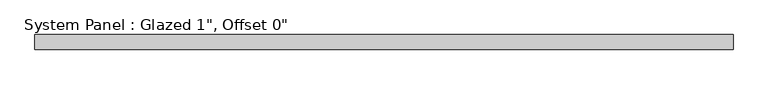
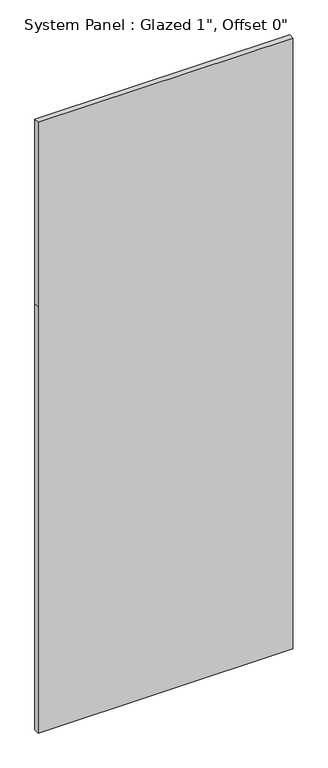
"""IFC4 building model written with IfcOpenShell, lengths in millimetres: plate geometry."""

import ifcopenshell
import ifcopenshell.guid

model = None  # the IFC model being written
_history = None  # IfcOwnerHistory: only IFC2X3 demands one
_inside = {}  # id of a spatial element -> (the spatial element, [elements in it])
_under = {}  # id of a project, library or spatial element -> (it, [spatial elements below it])
_declared = {}  # id of a project -> (the project, [libraries it declares])
_typed = {}  # id of a type object -> (the type object, [elements of that type])
_made_of = {}  # id of a material, layer set ... -> (it, [elements and type objects made of it])


def new_model(schema):
    """Start an empty IFC model of exactly this schema.

    Asked for "IFC4X3", IfcOpenShell would pick the latest addendum, in which some entities
    have other attributes; the version numbers below select the first issue.
    IFC2X3 requires an IfcOwnerHistory on every rooted entity: one is made here for all.
    """
    global model, _history
    if schema == "IFC4X3":
        model = ifcopenshell.file(schema_version=(4, 3, 0, 0))
    else:
        model = ifcopenshell.file(schema=schema)
    _inside.clear()
    _under.clear()
    _declared.clear()
    _typed.clear()
    _made_of.clear()
    _history = None
    if model.schema == "IFC2X3":
        org = make("IfcOrganization", Name="unknown")
        user = make(
            "IfcPersonAndOrganization",
            ThePerson=make("IfcPerson", FamilyName="unknown"),
            TheOrganization=org,
        )
        app = make(
            "IfcApplication",
            ApplicationDeveloper=org,
            Version="unknown",
            ApplicationFullName="unknown",
            ApplicationIdentifier="unknown",
        )
        _history = make(
            "IfcOwnerHistory",
            OwningUser=user,
            OwningApplication=app,
            ChangeAction="ADDED",
            CreationDate=0,
        )
    return model


def make(cls, **values):
    """One entity of the class cls with the attributes given. An attribute that is None is left unset."""
    return model.create_entity(
        cls, **{name: value for name, value in values.items() if value is not None}
    )


def rooted(cls, **values):
    """An entity with a GlobalId (a new one), such as an element, a storey or a relation."""
    return make(cls, GlobalId=ifcopenshell.guid.new(), OwnerHistory=_history, **values)


def si_unit(unit_type, name, prefix=None):
    """IfcSIUnit, for example si_unit("LENGTHUNIT", "METRE", prefix="MILLI")."""
    return make("IfcSIUnit", UnitType=unit_type, Prefix=prefix, Name=name)


def assignment(units):
    """IfcUnitAssignment: the units of a project."""
    return None if units is None else make("IfcUnitAssignment", Units=units)


def point(xyz):
    """IfcCartesianPoint."""
    return None if xyz is None else make("IfcCartesianPoint", Coordinates=xyz)


def direction(xyz):
    """IfcDirection."""
    return None if xyz is None else make("IfcDirection", DirectionRatios=xyz)


def frame(location, z_axis=None, x_axis=None):
    """IfcAxis2Placement3D, a coordinate frame: its origin and axes. An axis left out is left unset."""
    return make(
        "IfcAxis2Placement3D",
        Location=point(location),
        Axis=direction(z_axis),
        RefDirection=direction(x_axis),
    )


def origin():
    """The frame at (0, 0, 0) with its axes left unset."""
    return frame((0.0, 0.0, 0.0))


def place(relative_to, where):
    """IfcLocalPlacement: puts the frame where relative to a parent placement (None: the world)."""
    return make(
        "IfcLocalPlacement", PlacementRelTo=relative_to, RelativePlacement=where
    )


def context(
    kind, dimensions, precision=None, world=None, true_north=None, identifier=None
):
    """IfcGeometricRepresentationContext, for example the 3D "Model" context."""
    return make(
        "IfcGeometricRepresentationContext",
        ContextIdentifier=identifier,
        ContextType=kind,
        CoordinateSpaceDimension=dimensions,
        Precision=precision,
        WorldCoordinateSystem=world,
        TrueNorth=true_north,
    )


def project(units=None, contexts=None):
    """IfcProject with its units and contexts."""
    return rooted(
        "IfcProject",
        Name="project",
        RepresentationContexts=contexts,
        UnitsInContext=assignment(units),
    )


def spatial(cls, under=None, at=None, **own):
    """A site, building, storey or space (cls), placed at a placement, below another one or the project."""
    s = rooted(cls, ObjectPlacement=at, **own)
    if under is not None:
        _under.setdefault(under.id(), (under, []))[1].append(s)
    return s


def polyline(points):
    """IfcPolyline through the points."""
    return make("IfcPolyline", Points=[point(p) for p in points])


def outline(outer, holes=None, kind="AREA"):
    """IfcArbitraryClosedProfileDef: a profile drawn as a closed curve; with holes, ...WithVoids."""
    if holes is None:
        return make("IfcArbitraryClosedProfileDef", ProfileType=kind, OuterCurve=outer)
    return make(
        "IfcArbitraryProfileDefWithVoids",
        ProfileType=kind,
        OuterCurve=outer,
        InnerCurves=holes,
    )


def extrude(swept, where, along, depth):
    """IfcExtrudedAreaSolid: the profile swept, set in the frame where, extruded along a direction by depth."""
    return make(
        "IfcExtrudedAreaSolid",
        SweptArea=swept,
        Position=where,
        ExtrudedDirection=direction(along),
        Depth=depth,
    )


def shape(context_of_items, identifier, shape_type, items):
    """IfcShapeRepresentation: the items that make up one representation, for example the "Body"."""
    return make(
        "IfcShapeRepresentation",
        ContextOfItems=context_of_items,
        RepresentationIdentifier=identifier,
        RepresentationType=shape_type,
        Items=items,
    )


def source(mapping_origin, context_of_items, identifier, shape_type, items):
    """IfcRepresentationMap: a shape defined once, which mapped items show again and again."""
    return make(
        "IfcRepresentationMap",
        MappingOrigin=mapping_origin,
        MappedRepresentation=shape(context_of_items, identifier, shape_type, items),
    )


def transform(
    local_origin,
    x_axis=None,
    y_axis=None,
    z_axis=None,
    scale=None,
    scale2=None,
    scale3=None,
    uniform=True,
):
    """IfcCartesianTransformationOperator3D, or its non-uniform kind. x_axis, y_axis, z_axis: its Axis1, 2, 3."""
    if uniform:
        return make(
            "IfcCartesianTransformationOperator3D",
            Axis1=direction(x_axis),
            Axis2=direction(y_axis),
            LocalOrigin=point(local_origin),
            Scale=scale,
            Axis3=direction(z_axis),
        )
    return make(
        "IfcCartesianTransformationOperator3DnonUniform",
        Axis1=direction(x_axis),
        Axis2=direction(y_axis),
        LocalOrigin=point(local_origin),
        Scale=scale,
        Axis3=direction(z_axis),
        Scale2=scale2,
        Scale3=scale3,
    )


def mapped(mapping_source, mapping_target):
    """IfcMappedItem: shows the shape of a source again, moved by a transform."""
    return make(
        "IfcMappedItem", MappingSource=mapping_source, MappingTarget=mapping_target
    )


def made_of(thing, what):
    """Note that an element or type object is made of a material, layer set ...; save() writes the relation."""
    if what is not None:
        _made_of.setdefault(what.id(), (what, []))[1].append(thing)
    return thing


def element(
    cls,
    number,
    at=None,
    inside=None,
    cuts=None,
    type_object=None,
    material=None,
    context=None,
    identifier="Body",
    shape_type=None,
    held_by="IfcProductDefinitionShape",
    body=None,
    shapes=None,
    **own,
):
    """One element of the class cls, such as IfcWall. Its Tag is "e" and its number.

    at: its placement. inside: the storey or other place that contains it. cuts: it is an
    opening in that element (IfcRelVoidsElement). A single representation is given by context,
    identifier, shape_type and body (its items); several are given by shapes. held_by: the class
    of the entity that holds the representations. save() writes the other relations.
    """
    e = rooted(cls, Tag="e%d" % number, ObjectPlacement=at, **own)
    if body is not None:
        shapes = [shape(context, identifier, shape_type, body)]
    if shapes is not None:
        e.Representation = make(held_by, Representations=shapes)
    if inside is not None:
        _inside.setdefault(inside.id(), (inside, []))[1].append(e)
    if cuts is not None:
        rooted(
            "IfcRelVoidsElement", RelatingBuildingElement=cuts, RelatedOpeningElement=e
        )
    if type_object is not None:
        _typed.setdefault(type_object.id(), (type_object, []))[1].append(e)
    return made_of(e, material)


def aggregate(whole, parts):
    """IfcRelAggregates: a whole, such as a stair, and the parts it consists of."""
    return rooted("IfcRelAggregates", RelatingObject=whole, RelatedObjects=parts)


def save(model, path):
    """Write the relations noted so far, then the file.

    IfcRelAggregates (storeys below a building ...), IfcRelContainedInSpatialStructure (elements
    in a storey), IfcRelDefinesByType, IfcRelAssociatesMaterial and IfcRelDeclares: one each for
    every whole, place, type object, material and project.
    """
    for whole, parts in _under.values():
        aggregate(whole, parts)
    for where, things in _inside.values():
        rooted(
            "IfcRelContainedInSpatialStructure",
            RelatedElements=things,
            RelatingStructure=where,
        )
    for kind, things in _typed.values():
        rooted("IfcRelDefinesByType", RelatedObjects=things, RelatingType=kind)
    for what, things in _made_of.values():
        rooted("IfcRelAssociatesMaterial", RelatedObjects=things, RelatingMaterial=what)
    for by, libraries in _declared.values():
        rooted("IfcRelDeclares", RelatingContext=by, RelatedDefinitions=libraries)
    model.write(path)


def plate_001c4ff4(model_context):
    return source(origin(), model_context, "Body", "SweptSolid", [
        extrude(outline(polyline([(0.0, -588.9625), (0.0, 588.9625), (2082.8, 588.9625), (2984.5, 588.9625), (2984.5, -588.9625), (2082.8, -588.9625), (0.0, -588.9625)])), frame((0.0, -12.7, 0.0), z_axis=(0.0, 1.0, 0.0), x_axis=(0.0, 0.0, 1.0)), (0.0, 0.0, 1.0), 25.4),
    ])


if __name__ == "__main__":
    model = new_model("IFC4")
    model_context = context("Model", 3, world=origin())
    ifc_project = project(units=[si_unit("LENGTHUNIT", "METRE", prefix="MILLI")], contexts=[model_context])
    site = spatial("IfcSite", under=ifc_project)
    building = spatial("IfcBuilding", under=site)
    placement = place(None, origin())
    plate_shape = plate_001c4ff4(model_context)
    element("IfcPlate", 1, ObjectType="System Panel : Glazed 1\", Offset 0\"", at=placement, inside=building, context=model_context, shape_type="MappedRepresentation", body=[
        mapped(plate_shape, transform((0.0, 0.0, 0.0), x_axis=(1.0, 0.0, 0.0), y_axis=(0.0, 1.0, 0.0), z_axis=(0.0, 0.0, 1.0))),
    ])
    save(model, "model.ifc")
